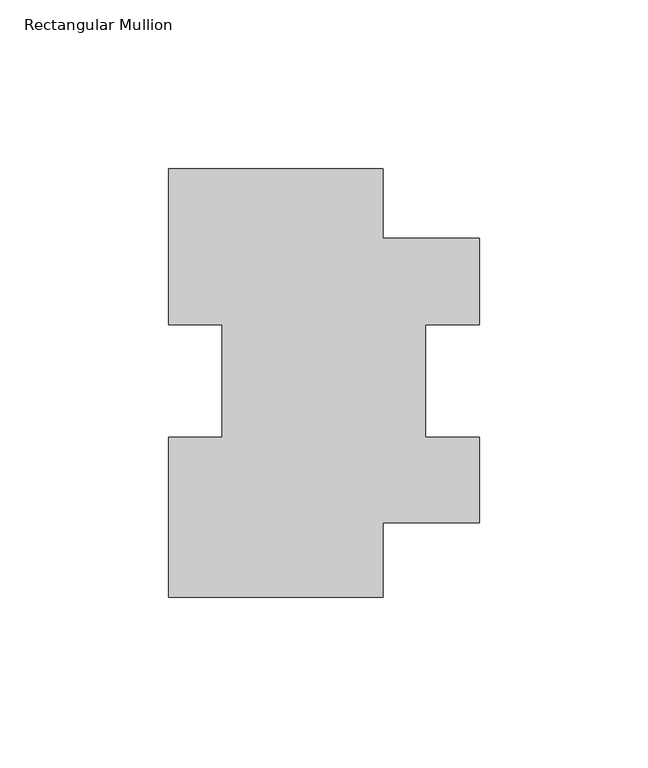
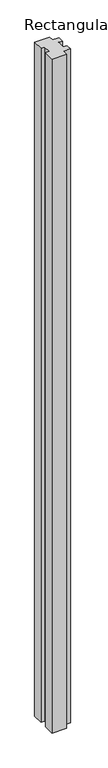
"""IFC4 building model written with IfcOpenShell, lengths in millimetres: member geometry, Rectangular Mullion."""

import ifcopenshell
import ifcopenshell.guid

model = None  # the IFC model being written
_history = None  # IfcOwnerHistory: only IFC2X3 demands one
_inside = {}  # id of a spatial element -> (the spatial element, [elements in it])
_under = {}  # id of a project, library or spatial element -> (it, [spatial elements below it])
_declared = {}  # id of a project -> (the project, [libraries it declares])
_typed = {}  # id of a type object -> (the type object, [elements of that type])
_made_of = {}  # id of a material, layer set ... -> (it, [elements and type objects made of it])


def new_model(schema):
    """Start an empty IFC model of exactly this schema.

    Asked for "IFC4X3", IfcOpenShell would pick the latest addendum, in which some entities
    have other attributes; the version numbers below select the first issue.
    IFC2X3 requires an IfcOwnerHistory on every rooted entity: one is made here for all.
    """
    global model, _history
    if schema == "IFC4X3":
        model = ifcopenshell.file(schema_version=(4, 3, 0, 0))
    else:
        model = ifcopenshell.file(schema=schema)
    _inside.clear()
    _under.clear()
    _declared.clear()
    _typed.clear()
    _made_of.clear()
    _history = None
    if model.schema == "IFC2X3":
        org = make("IfcOrganization", Name="unknown")
        user = make(
            "IfcPersonAndOrganization",
            ThePerson=make("IfcPerson", FamilyName="unknown"),
            TheOrganization=org,
        )
        app = make(
            "IfcApplication",
            ApplicationDeveloper=org,
            Version="unknown",
            ApplicationFullName="unknown",
            ApplicationIdentifier="unknown",
        )
        _history = make(
            "IfcOwnerHistory",
            OwningUser=user,
            OwningApplication=app,
            ChangeAction="ADDED",
            CreationDate=0,
        )
    return model


def make(cls, **values):
    """One entity of the class cls with the attributes given. An attribute that is None is left unset."""
    return model.create_entity(
        cls, **{name: value for name, value in values.items() if value is not None}
    )


def rooted(cls, **values):
    """An entity with a GlobalId (a new one), such as an element, a storey or a relation."""
    return make(cls, GlobalId=ifcopenshell.guid.new(), OwnerHistory=_history, **values)


def si_unit(unit_type, name, prefix=None):
    """IfcSIUnit, for example si_unit("LENGTHUNIT", "METRE", prefix="MILLI")."""
    return make("IfcSIUnit", UnitType=unit_type, Prefix=prefix, Name=name)


def assignment(units):
    """IfcUnitAssignment: the units of a project."""
    return None if units is None else make("IfcUnitAssignment", Units=units)


def point(xyz):
    """IfcCartesianPoint."""
    return None if xyz is None else make("IfcCartesianPoint", Coordinates=xyz)


def direction(xyz):
    """IfcDirection."""
    return None if xyz is None else make("IfcDirection", DirectionRatios=xyz)


def frame(location, z_axis=None, x_axis=None):
    """IfcAxis2Placement3D, a coordinate frame: its origin and axes. An axis left out is left unset."""
    return make(
        "IfcAxis2Placement3D",
        Location=point(location),
        Axis=direction(z_axis),
        RefDirection=direction(x_axis),
    )


def origin():
    """The frame at (0, 0, 0) with its axes left unset."""
    return frame((0.0, 0.0, 0.0))


def place(relative_to, where):
    """IfcLocalPlacement: puts the frame where relative to a parent placement (None: the world)."""
    return make(
        "IfcLocalPlacement", PlacementRelTo=relative_to, RelativePlacement=where
    )


def context(
    kind, dimensions, precision=None, world=None, true_north=None, identifier=None
):
    """IfcGeometricRepresentationContext, for example the 3D "Model" context."""
    return make(
        "IfcGeometricRepresentationContext",
        ContextIdentifier=identifier,
        ContextType=kind,
        CoordinateSpaceDimension=dimensions,
        Precision=precision,
        WorldCoordinateSystem=world,
        TrueNorth=true_north,
    )


def project(units=None, contexts=None):
    """IfcProject with its units and contexts."""
    return rooted(
        "IfcProject",
        Name="project",
        RepresentationContexts=contexts,
        UnitsInContext=assignment(units),
    )


def spatial(cls, under=None, at=None, **own):
    """A site, building, storey or space (cls), placed at a placement, below another one or the project."""
    s = rooted(cls, ObjectPlacement=at, **own)
    if under is not None:
        _under.setdefault(under.id(), (under, []))[1].append(s)
    return s


def polyline(points):
    """IfcPolyline through the points."""
    return make("IfcPolyline", Points=[point(p) for p in points])


def outline(outer, holes=None, kind="AREA"):
    """IfcArbitraryClosedProfileDef: a profile drawn as a closed curve; with holes, ...WithVoids."""
    if holes is None:
        return make("IfcArbitraryClosedProfileDef", ProfileType=kind, OuterCurve=outer)
    return make(
        "IfcArbitraryProfileDefWithVoids",
        ProfileType=kind,
        OuterCurve=outer,
        InnerCurves=holes,
    )


def extrude(swept, where, along, depth):
    """IfcExtrudedAreaSolid: the profile swept, set in the frame where, extruded along a direction by depth."""
    return make(
        "IfcExtrudedAreaSolid",
        SweptArea=swept,
        Position=where,
        ExtrudedDirection=direction(along),
        Depth=depth,
    )


def shape(context_of_items, identifier, shape_type, items):
    """IfcShapeRepresentation: the items that make up one representation, for example the "Body"."""
    return make(
        "IfcShapeRepresentation",
        ContextOfItems=context_of_items,
        RepresentationIdentifier=identifier,
        RepresentationType=shape_type,
        Items=items,
    )


def source(mapping_origin, context_of_items, identifier, shape_type, items):
    """IfcRepresentationMap: a shape defined once, which mapped items show again and again."""
    return make(
        "IfcRepresentationMap",
        MappingOrigin=mapping_origin,
        MappedRepresentation=shape(context_of_items, identifier, shape_type, items),
    )


def transform(
    local_origin,
    x_axis=None,
    y_axis=None,
    z_axis=None,
    scale=None,
    scale2=None,
    scale3=None,
    uniform=True,
):
    """IfcCartesianTransformationOperator3D, or its non-uniform kind. x_axis, y_axis, z_axis: its Axis1, 2, 3."""
    if uniform:
        return make(
            "IfcCartesianTransformationOperator3D",
            Axis1=direction(x_axis),
            Axis2=direction(y_axis),
            LocalOrigin=point(local_origin),
            Scale=scale,
            Axis3=direction(z_axis),
        )
    return make(
        "IfcCartesianTransformationOperator3DnonUniform",
        Axis1=direction(x_axis),
        Axis2=direction(y_axis),
        LocalOrigin=point(local_origin),
        Scale=scale,
        Axis3=direction(z_axis),
        Scale2=scale2,
        Scale3=scale3,
    )


def mapped(mapping_source, mapping_target):
    """IfcMappedItem: shows the shape of a source again, moved by a transform."""
    return make(
        "IfcMappedItem", MappingSource=mapping_source, MappingTarget=mapping_target
    )


def made_of(thing, what):
    """Note that an element or type object is made of a material, layer set ...; save() writes the relation."""
    if what is not None:
        _made_of.setdefault(what.id(), (what, []))[1].append(thing)
    return thing


def element(
    cls,
    number,
    at=None,
    inside=None,
    cuts=None,
    type_object=None,
    material=None,
    context=None,
    identifier="Body",
    shape_type=None,
    held_by="IfcProductDefinitionShape",
    body=None,
    shapes=None,
    **own,
):
    """One element of the class cls, such as IfcWall. Its Tag is "e" and its number.

    at: its placement. inside: the storey or other place that contains it. cuts: it is an
    opening in that element (IfcRelVoidsElement). A single representation is given by context,
    identifier, shape_type and body (its items); several are given by shapes. held_by: the class
    of the entity that holds the representations. save() writes the other relations.
    """
    e = rooted(cls, Tag="e%d" % number, ObjectPlacement=at, **own)
    if body is not None:
        shapes = [shape(context, identifier, shape_type, body)]
    if shapes is not None:
        e.Representation = make(held_by, Representations=shapes)
    if inside is not None:
        _inside.setdefault(inside.id(), (inside, []))[1].append(e)
    if cuts is not None:
        rooted(
            "IfcRelVoidsElement", RelatingBuildingElement=cuts, RelatedOpeningElement=e
        )
    if type_object is not None:
        _typed.setdefault(type_object.id(), (type_object, []))[1].append(e)
    return made_of(e, material)


def aggregate(whole, parts):
    """IfcRelAggregates: a whole, such as a stair, and the parts it consists of."""
    return rooted("IfcRelAggregates", RelatingObject=whole, RelatedObjects=parts)


def save(model, path):
    """Write the relations noted so far, then the file.

    IfcRelAggregates (storeys below a building ...), IfcRelContainedInSpatialStructure (elements
    in a storey), IfcRelDefinesByType, IfcRelAssociatesMaterial and IfcRelDeclares: one each for
    every whole, place, type object, material and project.
    """
    for whole, parts in _under.values():
        aggregate(whole, parts)
    for where, things in _inside.values():
        rooted(
            "IfcRelContainedInSpatialStructure",
            RelatedElements=things,
            RelatingStructure=where,
        )
    for kind, things in _typed.values():
        rooted("IfcRelDefinesByType", RelatedObjects=things, RelatingType=kind)
    for what, things in _made_of.values():
        rooted("IfcRelAssociatesMaterial", RelatedObjects=things, RelatingMaterial=what)
    for by, libraries in _declared.values():
        rooted("IfcRelDeclares", RelatingContext=by, RelatedDefinitions=libraries)
    model.write(path)


def rectangular_mullion_8fd0cb0c(model_context):
    return source(origin(), model_context, "Body", "SweptSolid", [
        extrude(outline(polyline([(-28.5751068, -80.9707114), (-92.0751068, -80.9707114), (-92.0751068, -33.4449302), (-76.2001068, -33.4449302), (-76.2001068, -0.1516389), (-92.0751068, -0.1516389), (-92.0751068, 46.0292886), (-28.5751068, 46.0292886), (-28.575, 25.48068), (0.0, 25.48068), (0.0, -0.1516389), (-15.8750233, -0.1516389), (-15.8750233, -33.5075117), (0.0, -33.5075117), (0.0, -58.84732), (-28.575, -58.84732), (-28.5751068, -80.9707114)])), frame((0.0, 0.0, -3048.0), z_axis=(0.0, 0.0, 1.0), x_axis=(1.0, 0.0, 0.0)), (0.0, 0.0, 1.0), 3048.0),
    ])


if __name__ == "__main__":
    model = new_model("IFC4")
    model_context = context("Model", 3, world=origin())
    ifc_project = project(units=[si_unit("LENGTHUNIT", "METRE", prefix="MILLI")], contexts=[model_context])
    site = spatial("IfcSite", under=ifc_project)
    building = spatial("IfcBuilding", under=site)
    placement = place(None, origin())
    rectangular_mullion_shape = rectangular_mullion_8fd0cb0c(model_context)
    element("IfcMember", 1, ObjectType="Rectangular Mullion", at=placement, inside=building, context=model_context, shape_type="MappedRepresentation", body=[
        mapped(rectangular_mullion_shape, transform((0.0, 0.0, 0.0), x_axis=(1.0, 0.0, 0.0), y_axis=(0.0, 1.0, 0.0), z_axis=(0.0, 0.0, 1.0))),
    ])
    save(model, "model.ifc")
